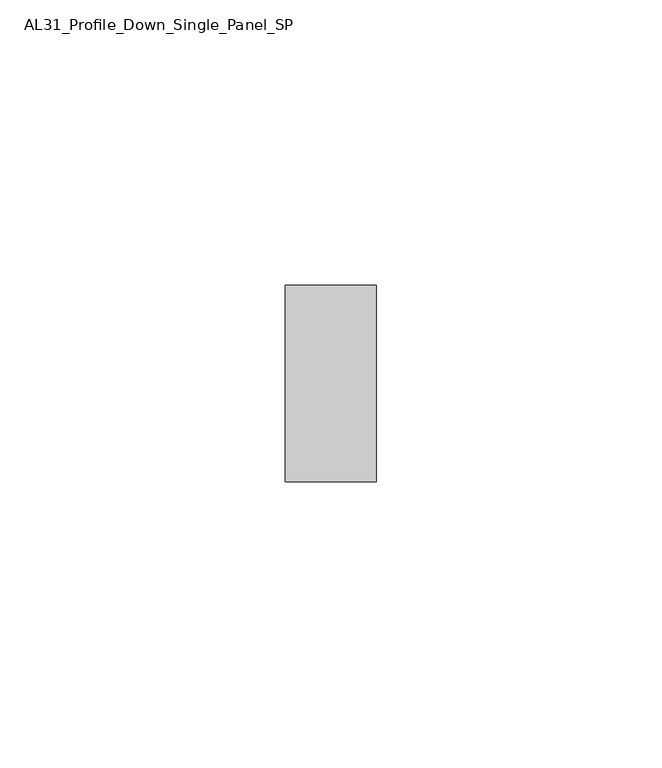
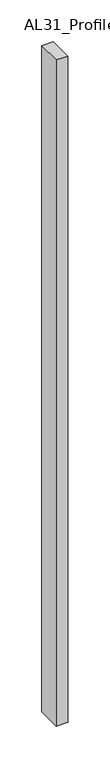
"""IFC4 building model written with IfcOpenShell, lengths in millimetres: member geometry, AL31_Profile_Down_Single_Panel_SP."""

from ifc_helpers import new_model, si_unit, frame, origin, place, context, project, spatial, polyline, outline, extrude, source, transform, mapped, element, save


def al31_profile_down_single_panel_sp_770989a4(model_context):
    return source(origin(), model_context, "Body", "SweptSolid", [
        extrude(outline(polyline([(0.0, -17.25), (-16.0, -17.25), (-16.0, 17.25), (0.0, 17.25), (0.0, -17.25)])), frame((0.0, 0.0, -972.3998979), z_axis=(0.0, 0.0, 1.0), x_axis=(1.0, 0.0, 0.0)), (0.0, 0.0, 1.0), 972.3998979),
    ])


if __name__ == "__main__":
    model = new_model("IFC4")
    model_context = context("Model", 3, world=origin())
    ifc_project = project(units=[si_unit("LENGTHUNIT", "METRE", prefix="MILLI")], contexts=[model_context])
    site = spatial("IfcSite", under=ifc_project)
    building = spatial("IfcBuilding", under=site)
    placement = place(None, origin())
    al31_profile_down_single_panel_sp_shape = al31_profile_down_single_panel_sp_770989a4(model_context)
    element("IfcMember", 1, ObjectType="AL31_Profile_Down_Single_Panel_SP", at=placement, inside=building, context=model_context, shape_type="MappedRepresentation", body=[
        mapped(al31_profile_down_single_panel_sp_shape, transform((0.0, 0.0, 0.0), x_axis=(1.0, 0.0, 0.0), y_axis=(0.0, 1.0, 0.0), z_axis=(0.0, 0.0, 1.0))),
    ])
    save(model, "model.ifc")
